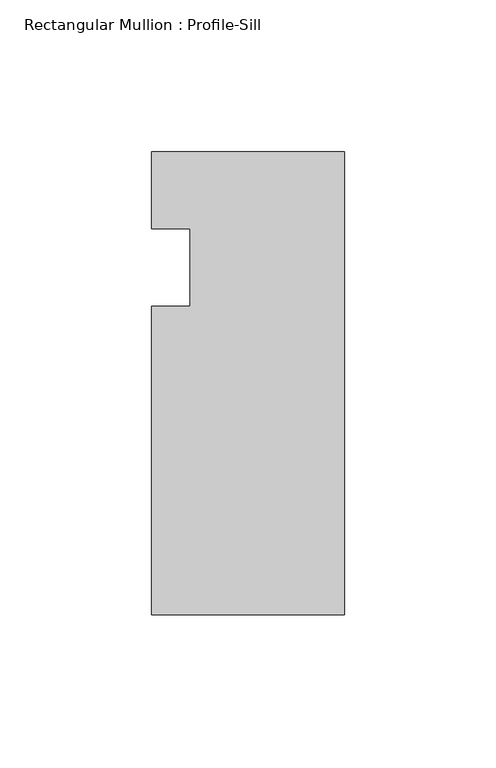
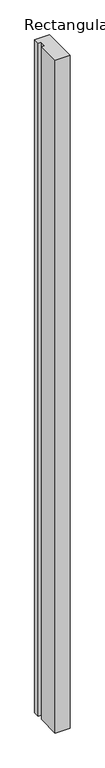
"""IFC4 building model written with IfcOpenShell, lengths in millimetres: member geometry, Rectangular Mullion : Profile-Sill."""

import ifcopenshell
import ifcopenshell.guid

model = None  # the IFC model being written
_history = None  # IfcOwnerHistory: only IFC2X3 demands one
_inside = {}  # id of a spatial element -> (the spatial element, [elements in it])
_under = {}  # id of a project, library or spatial element -> (it, [spatial elements below it])
_declared = {}  # id of a project -> (the project, [libraries it declares])
_typed = {}  # id of a type object -> (the type object, [elements of that type])
_made_of = {}  # id of a material, layer set ... -> (it, [elements and type objects made of it])


def new_model(schema):
    """Start an empty IFC model of exactly this schema.

    Asked for "IFC4X3", IfcOpenShell would pick the latest addendum, in which some entities
    have other attributes; the version numbers below select the first issue.
    IFC2X3 requires an IfcOwnerHistory on every rooted entity: one is made here for all.
    """
    global model, _history
    if schema == "IFC4X3":
        model = ifcopenshell.file(schema_version=(4, 3, 0, 0))
    else:
        model = ifcopenshell.file(schema=schema)
    _inside.clear()
    _under.clear()
    _declared.clear()
    _typed.clear()
    _made_of.clear()
    _history = None
    if model.schema == "IFC2X3":
        org = make("IfcOrganization", Name="unknown")
        user = make(
            "IfcPersonAndOrganization",
            ThePerson=make("IfcPerson", FamilyName="unknown"),
            TheOrganization=org,
        )
        app = make(
            "IfcApplication",
            ApplicationDeveloper=org,
            Version="unknown",
            ApplicationFullName="unknown",
            ApplicationIdentifier="unknown",
        )
        _history = make(
            "IfcOwnerHistory",
            OwningUser=user,
            OwningApplication=app,
            ChangeAction="ADDED",
            CreationDate=0,
        )
    return model


def make(cls, **values):
    """One entity of the class cls with the attributes given. An attribute that is None is left unset."""
    return model.create_entity(
        cls, **{name: value for name, value in values.items() if value is not None}
    )


def rooted(cls, **values):
    """An entity with a GlobalId (a new one), such as an element, a storey or a relation."""
    return make(cls, GlobalId=ifcopenshell.guid.new(), OwnerHistory=_history, **values)


def si_unit(unit_type, name, prefix=None):
    """IfcSIUnit, for example si_unit("LENGTHUNIT", "METRE", prefix="MILLI")."""
    return make("IfcSIUnit", UnitType=unit_type, Prefix=prefix, Name=name)


def assignment(units):
    """IfcUnitAssignment: the units of a project."""
    return None if units is None else make("IfcUnitAssignment", Units=units)


def point(xyz):
    """IfcCartesianPoint."""
    return None if xyz is None else make("IfcCartesianPoint", Coordinates=xyz)


def direction(xyz):
    """IfcDirection."""
    return None if xyz is None else make("IfcDirection", DirectionRatios=xyz)


def frame(location, z_axis=None, x_axis=None):
    """IfcAxis2Placement3D, a coordinate frame: its origin and axes. An axis left out is left unset."""
    return make(
        "IfcAxis2Placement3D",
        Location=point(location),
        Axis=direction(z_axis),
        RefDirection=direction(x_axis),
    )


def origin():
    """The frame at (0, 0, 0) with its axes left unset."""
    return frame((0.0, 0.0, 0.0))


def place(relative_to, where):
    """IfcLocalPlacement: puts the frame where relative to a parent placement (None: the world)."""
    return make(
        "IfcLocalPlacement", PlacementRelTo=relative_to, RelativePlacement=where
    )


def context(
    kind, dimensions, precision=None, world=None, true_north=None, identifier=None
):
    """IfcGeometricRepresentationContext, for example the 3D "Model" context."""
    return make(
        "IfcGeometricRepresentationContext",
        ContextIdentifier=identifier,
        ContextType=kind,
        CoordinateSpaceDimension=dimensions,
        Precision=precision,
        WorldCoordinateSystem=world,
        TrueNorth=true_north,
    )


def project(units=None, contexts=None):
    """IfcProject with its units and contexts."""
    return rooted(
        "IfcProject",
        Name="project",
        RepresentationContexts=contexts,
        UnitsInContext=assignment(units),
    )


def spatial(cls, under=None, at=None, **own):
    """A site, building, storey or space (cls), placed at a placement, below another one or the project."""
    s = rooted(cls, ObjectPlacement=at, **own)
    if under is not None:
        _under.setdefault(under.id(), (under, []))[1].append(s)
    return s


def polyline(points):
    """IfcPolyline through the points."""
    return make("IfcPolyline", Points=[point(p) for p in points])


def outline(outer, holes=None, kind="AREA"):
    """IfcArbitraryClosedProfileDef: a profile drawn as a closed curve; with holes, ...WithVoids."""
    if holes is None:
        return make("IfcArbitraryClosedProfileDef", ProfileType=kind, OuterCurve=outer)
    return make(
        "IfcArbitraryProfileDefWithVoids",
        ProfileType=kind,
        OuterCurve=outer,
        InnerCurves=holes,
    )


def extrude(swept, where, along, depth):
    """IfcExtrudedAreaSolid: the profile swept, set in the frame where, extruded along a direction by depth."""
    return make(
        "IfcExtrudedAreaSolid",
        SweptArea=swept,
        Position=where,
        ExtrudedDirection=direction(along),
        Depth=depth,
    )


def shape(context_of_items, identifier, shape_type, items):
    """IfcShapeRepresentation: the items that make up one representation, for example the "Body"."""
    return make(
        "IfcShapeRepresentation",
        ContextOfItems=context_of_items,
        RepresentationIdentifier=identifier,
        RepresentationType=shape_type,
        Items=items,
    )


def source(mapping_origin, context_of_items, identifier, shape_type, items):
    """IfcRepresentationMap: a shape defined once, which mapped items show again and again."""
    return make(
        "IfcRepresentationMap",
        MappingOrigin=mapping_origin,
        MappedRepresentation=shape(context_of_items, identifier, shape_type, items),
    )


def transform(
    local_origin,
    x_axis=None,
    y_axis=None,
    z_axis=None,
    scale=None,
    scale2=None,
    scale3=None,
    uniform=True,
):
    """IfcCartesianTransformationOperator3D, or its non-uniform kind. x_axis, y_axis, z_axis: its Axis1, 2, 3."""
    if uniform:
        return make(
            "IfcCartesianTransformationOperator3D",
            Axis1=direction(x_axis),
            Axis2=direction(y_axis),
            LocalOrigin=point(local_origin),
            Scale=scale,
            Axis3=direction(z_axis),
        )
    return make(
        "IfcCartesianTransformationOperator3DnonUniform",
        Axis1=direction(x_axis),
        Axis2=direction(y_axis),
        LocalOrigin=point(local_origin),
        Scale=scale,
        Axis3=direction(z_axis),
        Scale2=scale2,
        Scale3=scale3,
    )


def mapped(mapping_source, mapping_target):
    """IfcMappedItem: shows the shape of a source again, moved by a transform."""
    return make(
        "IfcMappedItem", MappingSource=mapping_source, MappingTarget=mapping_target
    )


def made_of(thing, what):
    """Note that an element or type object is made of a material, layer set ...; save() writes the relation."""
    if what is not None:
        _made_of.setdefault(what.id(), (what, []))[1].append(thing)
    return thing


def element(
    cls,
    number,
    at=None,
    inside=None,
    cuts=None,
    type_object=None,
    material=None,
    context=None,
    identifier="Body",
    shape_type=None,
    held_by="IfcProductDefinitionShape",
    body=None,
    shapes=None,
    **own,
):
    """One element of the class cls, such as IfcWall. Its Tag is "e" and its number.

    at: its placement. inside: the storey or other place that contains it. cuts: it is an
    opening in that element (IfcRelVoidsElement). A single representation is given by context,
    identifier, shape_type and body (its items); several are given by shapes. held_by: the class
    of the entity that holds the representations. save() writes the other relations.
    """
    e = rooted(cls, Tag="e%d" % number, ObjectPlacement=at, **own)
    if body is not None:
        shapes = [shape(context, identifier, shape_type, body)]
    if shapes is not None:
        e.Representation = make(held_by, Representations=shapes)
    if inside is not None:
        _inside.setdefault(inside.id(), (inside, []))[1].append(e)
    if cuts is not None:
        rooted(
            "IfcRelVoidsElement", RelatingBuildingElement=cuts, RelatedOpeningElement=e
        )
    if type_object is not None:
        _typed.setdefault(type_object.id(), (type_object, []))[1].append(e)
    return made_of(e, material)


def aggregate(whole, parts):
    """IfcRelAggregates: a whole, such as a stair, and the parts it consists of."""
    return rooted("IfcRelAggregates", RelatingObject=whole, RelatedObjects=parts)


def save(model, path):
    """Write the relations noted so far, then the file.

    IfcRelAggregates (storeys below a building ...), IfcRelContainedInSpatialStructure (elements
    in a storey), IfcRelDefinesByType, IfcRelAssociatesMaterial and IfcRelDeclares: one each for
    every whole, place, type object, material and project.
    """
    for whole, parts in _under.values():
        aggregate(whole, parts)
    for where, things in _inside.values():
        rooted(
            "IfcRelContainedInSpatialStructure",
            RelatedElements=things,
            RelatingStructure=where,
        )
    for kind, things in _typed.values():
        rooted("IfcRelDefinesByType", RelatedObjects=things, RelatingType=kind)
    for what, things in _made_of.values():
        rooted("IfcRelAssociatesMaterial", RelatedObjects=things, RelatingMaterial=what)
    for by, libraries in _declared.values():
        rooted("IfcRelDeclares", RelatingContext=by, RelatedDefinitions=libraries)
    model.write(path)


def rectangular_mullion_profile_sill_bd75b8bf(model_context):
    return source(origin(), model_context, "Body", "SweptSolid", [
        extrude(outline(polyline([(-63.5, 38.1), (0.0, 38.1), (0.0, -114.3), (-63.5, -114.3), (-63.5, -12.7), (-50.8, -12.7), (-50.8, 12.7), (-63.5, 12.7), (-63.5, 38.1)])), frame((0.0, 0.0, -3048.0), z_axis=(0.0, 0.0, 1.0), x_axis=(1.0, 0.0, 0.0)), (0.0, 0.0, 1.0), 3048.0),
    ])


if __name__ == "__main__":
    model = new_model("IFC4")
    model_context = context("Model", 3, world=origin())
    ifc_project = project(units=[si_unit("LENGTHUNIT", "METRE", prefix="MILLI")], contexts=[model_context])
    site = spatial("IfcSite", under=ifc_project)
    building = spatial("IfcBuilding", under=site)
    placement = place(None, origin())
    rectangular_mullion_profile_sill_shape = rectangular_mullion_profile_sill_bd75b8bf(model_context)
    element("IfcMember", 1, ObjectType="Rectangular Mullion : Profile-Sill", at=placement, inside=building, context=model_context, shape_type="MappedRepresentation", body=[
        mapped(rectangular_mullion_profile_sill_shape, transform((0.0, 0.0, 0.0), x_axis=(1.0, 0.0, 0.0), y_axis=(0.0, 1.0, 0.0), z_axis=(0.0, 0.0, 1.0))),
    ])
    save(model, "model.ifc")
